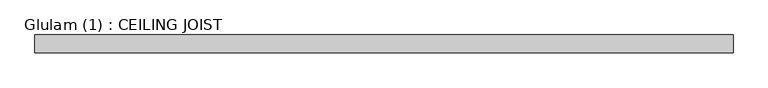
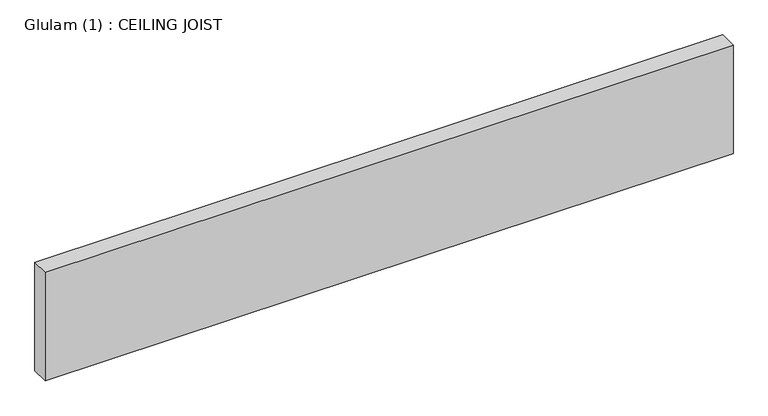
"""IFC4 building model written with IfcOpenShell, lengths in millimetres: beam geometry, Glulam (1) : CEILING JOIST."""

from ifc_helpers import new_model, si_unit, frame, origin, place, context, project, spatial, polyline, outline, extrude, source, transform, mapped, element, save


def glulam_1_ceiling_joist_256226e6(model_context):
    return source(origin(), model_context, "Body", "SweptSolid", [
        extrude(outline(polyline([(880.0, 22.5), (880.0, -22.5), (-858.0, -22.5), (-858.0, 22.5), (880.0, 22.5)])), frame((0.0, 0.0, -145.0), z_axis=(0.0, 0.0, 1.0), x_axis=(1.0, 0.0, 0.0)), (0.0, 0.0, 1.0), 290.0),
    ])


if __name__ == "__main__":
    model = new_model("IFC4")
    model_context = context("Model", 3, world=origin())
    ifc_project = project(units=[si_unit("LENGTHUNIT", "METRE", prefix="MILLI")], contexts=[model_context])
    site = spatial("IfcSite", under=ifc_project)
    building = spatial("IfcBuilding", under=site)
    placement = place(None, origin())
    glulam_1_ceiling_joist_shape = glulam_1_ceiling_joist_256226e6(model_context)
    element("IfcBeam", 1, ObjectType="Glulam (1) : CEILING JOIST", at=placement, inside=building, context=model_context, shape_type="MappedRepresentation", body=[
        mapped(glulam_1_ceiling_joist_shape, transform((0.0, 0.0, 0.0), x_axis=(1.0, 0.0, 0.0), y_axis=(0.0, 1.0, 0.0), z_axis=(0.0, 0.0, 1.0))),
    ])
    save(model, "model.ifc")
